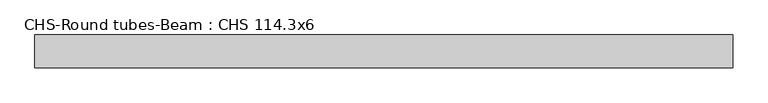
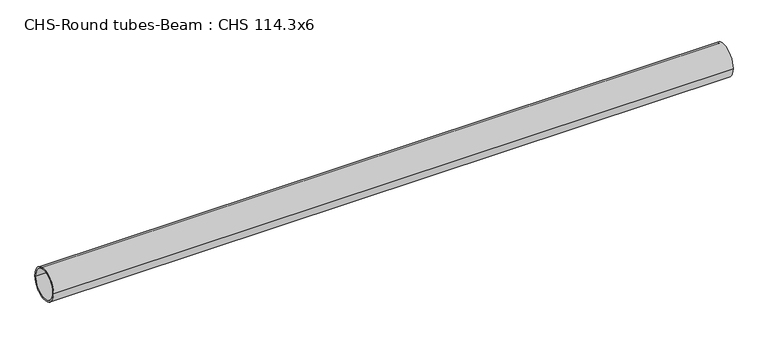
"""IFC4 building model written with IfcOpenShell, lengths in millimetres: beam geometry, CHS-Round tubes-Beam : CHS 114.3x6."""

from ifc_helpers import new_model, si_unit, point, frame, origin, origin_2d, place, context, project, spatial, circle_curve, trimmed, segment, composite_curve, outline, extrude, source, transform, mapped, element, save


def chs_round_tubes_beam_chs_114_3x6_a749b7cb(model_context):
    return source(origin(), model_context, "Body", "SweptSolid", [
        extrude(outline(composite_curve([segment(trimmed(circle_curve(origin_2d(), 57.15), [point((57.15, 0.0))], [point((-57.15, 0.0))], False, "CARTESIAN"), True, "CONTINUOUS"), segment(trimmed(circle_curve(origin_2d(), 57.15), [point((-57.15, 0.0))], [point((57.15, 0.0))], False, "CARTESIAN"), True, "CONTINUOUS")], self_intersect=False), holes=[composite_curve([segment(trimmed(circle_curve(origin_2d(), 51.15), [point((51.15, 0.0))], [point((-51.15, 0.0))], True, "CARTESIAN"), True, "CONTINUOUS"), segment(trimmed(circle_curve(origin_2d(), 51.15), [point((-51.15, 0.0))], [point((51.15, 0.0))], True, "CARTESIAN"), True, "CONTINUOUS")], self_intersect=False)]), frame((-1191.0893963, 0.0, 0.0), z_axis=(1.0, 0.0, 0.0), x_axis=(0.0, 1.0, 0.0)), (0.0, 0.0, 1.0), 2416.4504202),
    ])


if __name__ == "__main__":
    model = new_model("IFC4")
    model_context = context("Model", 3, world=origin())
    ifc_project = project(units=[si_unit("LENGTHUNIT", "METRE", prefix="MILLI")], contexts=[model_context])
    site = spatial("IfcSite", under=ifc_project)
    building = spatial("IfcBuilding", under=site)
    placement = place(None, origin())
    chs_round_tubes_beam_chs_114_3x6_shape = chs_round_tubes_beam_chs_114_3x6_a749b7cb(model_context)
    element("IfcBeam", 1, ObjectType="CHS-Round tubes-Beam : CHS 114.3x6", at=placement, inside=building, context=model_context, shape_type="MappedRepresentation", body=[
        mapped(chs_round_tubes_beam_chs_114_3x6_shape, transform((0.0, 0.0, 0.0), x_axis=(1.0, 0.0, 0.0), y_axis=(0.0, 1.0, 0.0), z_axis=(0.0, 0.0, 1.0))),
    ])
    save(model, "model.ifc")
